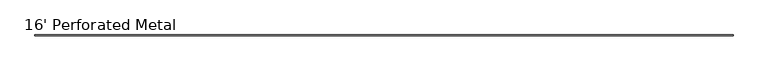
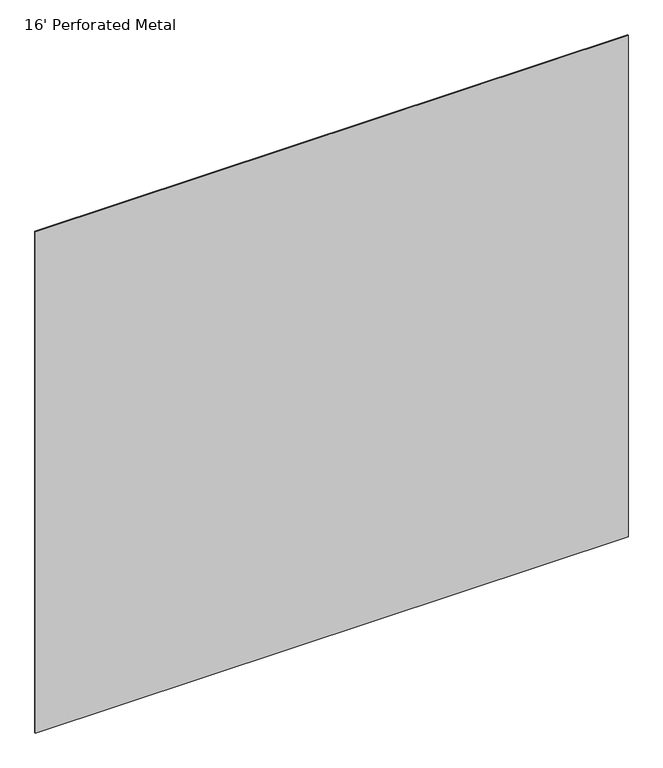
"""IFC4 building model written with IfcOpenShell, lengths in millimetres: furniture geometry, 16' Perforated Metal."""

from ifc_helpers import new_model, si_unit, frame, origin, place, context, project, spatial, polyline, outline, extrude, source, transform, mapped, element, save


def furniture_16_perforated_metal_cdbff4e5(model_context):
    return source(origin(), model_context, "Body", "SweptSolid", [
        extrude(outline(polyline([(0.0, -1.6002), (0.0, 1.6002), (2438.4, 1.6002), (2438.4, -1.6002), (0.0, -1.6002)])), frame((0.0, 0.0, 12.2428), z_axis=(0.0, 0.0, 1.0), x_axis=(1.0, 0.0, 0.0)), (0.0, 0.0, 1.0), 2180.9202),
    ])


if __name__ == "__main__":
    model = new_model("IFC4")
    model_context = context("Model", 3, world=origin())
    ifc_project = project(units=[si_unit("LENGTHUNIT", "METRE", prefix="MILLI")], contexts=[model_context])
    site = spatial("IfcSite", under=ifc_project)
    building = spatial("IfcBuilding", under=site)
    placement = place(None, origin())
    furniture_16_perforated_metal_shape = furniture_16_perforated_metal_cdbff4e5(model_context)
    element("IfcFurniture", 1, ObjectType="16' Perforated Metal", at=placement, inside=building, context=model_context, shape_type="MappedRepresentation", body=[
        mapped(furniture_16_perforated_metal_shape, transform((0.0, 0.0, 0.0), x_axis=(1.0, 0.0, 0.0), y_axis=(0.0, 1.0, 0.0), z_axis=(0.0, 0.0, 1.0))),
    ])
    save(model, "model.ifc")
